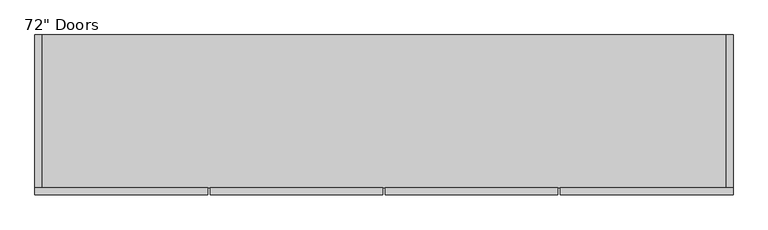
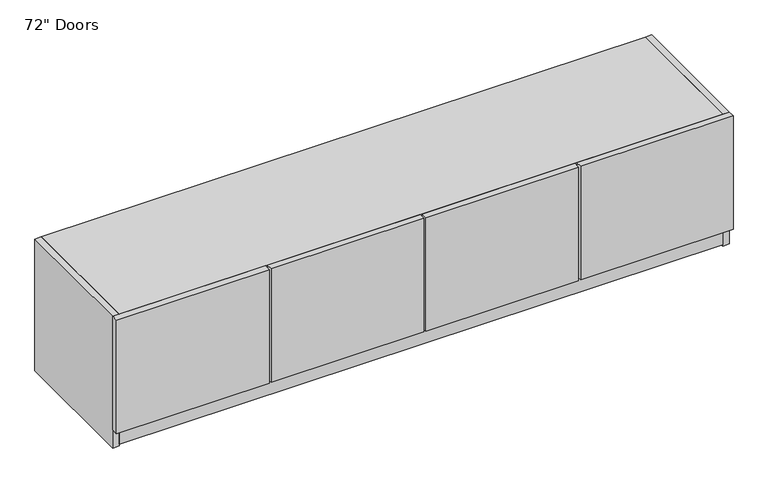
"""IFC4 building model written with IfcOpenShell, lengths in millimetres: furniture geometry."""

from ifc_helpers import new_model, si_unit, frame, origin, place, context, project, spatial, polyline, outline, extrude, source, transform, mapped, element, save


def furniture_ddac6944(model_context):
    return source(origin(), model_context, "Body", "SweptSolid", [
        extrude(outline(polyline([(620.7125, -444.5), (620.7125, -463.55), (168.275, -463.55), (168.275, -444.5), (620.7125, -444.5)])), frame((0.0, 0.0, 793.75), z_axis=(0.0, 0.0, 1.0), x_axis=(1.0, 0.0, 0.0)), (0.0, 0.0, 1.0), 355.6),
        extrude(outline(polyline([(161.925, -444.5), (161.925, -463.55), (-290.5125, -463.55), (-290.5125, -444.5), (161.925, -444.5)])), frame((0.0, 0.0, 793.75), z_axis=(0.0, 0.0, 1.0), x_axis=(1.0, 0.0, 0.0)), (0.0, 0.0, 1.0), 355.6),
        extrude(outline(polyline([(1079.5, -444.5), (1079.5, -463.55), (627.0625, -463.55), (627.0625, -444.5), (1079.5, -444.5)])), frame((0.0, 0.0, 793.75), z_axis=(0.0, 0.0, 1.0), x_axis=(1.0, 0.0, 0.0)), (0.0, 0.0, 1.0), 355.6),
        extrude(outline(polyline([(-296.8625, -444.5), (-296.8625, -463.55), (-749.3, -463.55), (-749.3, -444.5), (-296.8625, -444.5)])), frame((0.0, 0.0, 793.75), z_axis=(0.0, 0.0, 1.0), x_axis=(1.0, 0.0, 0.0)), (0.0, 0.0, 1.0), 355.6),
        extrude(outline(polyline([(174.625, -63.5), (174.625, -444.5), (155.575, -444.5), (155.575, -63.5), (174.625, -63.5)])), frame((0.0, 0.0, 814.3875), z_axis=(0.0, 0.0, 1.0), x_axis=(1.0, 0.0, 0.0)), (0.0, 0.0, 1.0), 315.9125),
        extrude(outline(polyline([(1060.45, -44.45), (1060.45, -444.5), (-730.25, -444.5), (-730.25, -44.45), (1060.45, -44.45)])), frame((0.0, 0.0, 1130.3), z_axis=(0.0, 0.0, 1.0), x_axis=(1.0, 0.0, 0.0)), (0.0, 0.0, 1.0), 19.05),
        extrude(outline(polyline([(-444.5, 804.8625), (-63.5, 804.8625), (-63.5, 741.3625), (-107.95, 741.3625), (-107.95, 785.8125), (-368.3, 785.8125), (-368.3, 741.3625), (-444.5, 741.3625), (-444.5, 804.8625)])), frame((-730.25, 0.0, 0.0), z_axis=(1.0, 0.0, 0.0), x_axis=(0.0, 1.0, 0.0)), (0.0, 0.0, 1.0), 1790.7),
        extrude(outline(polyline([(1060.45, -44.45), (1060.45, -63.5), (-730.25, -63.5), (-730.25, -44.45), (1060.45, -44.45)])), frame((0.0, 0.0, 741.3625), z_axis=(0.0, 0.0, 1.0), x_axis=(1.0, 0.0, 0.0)), (0.0, 0.0, 1.0), 407.9875),
        extrude(outline(polyline([(1079.5, -44.45), (1079.5, -444.5), (1060.45, -444.5), (1060.45, -44.45), (1079.5, -44.45)])), frame((0.0, 0.0, 736.6), z_axis=(0.0, 0.0, 1.0), x_axis=(1.0, 0.0, 0.0)), (0.0, 0.0, 1.0), 412.75),
        extrude(outline(polyline([(-730.25, -44.45), (-730.25, -444.5), (-749.3, -444.5), (-749.3, -44.45), (-730.25, -44.45)])), frame((0.0, 0.0, 736.6), z_axis=(0.0, 0.0, 1.0), x_axis=(1.0, 0.0, 0.0)), (0.0, 0.0, 1.0), 412.75),
    ])


if __name__ == "__main__":
    model = new_model("IFC4")
    model_context = context("Model", 3, world=origin())
    ifc_project = project(units=[si_unit("LENGTHUNIT", "METRE", prefix="MILLI")], contexts=[model_context])
    site = spatial("IfcSite", under=ifc_project)
    building = spatial("IfcBuilding", under=site)
    placement = place(None, origin())
    furniture_shape = furniture_ddac6944(model_context)
    element("IfcFurniture", 1, ObjectType="72\" Doors", at=placement, inside=building, context=model_context, shape_type="MappedRepresentation", body=[
        mapped(furniture_shape, transform((0.0, 0.0, 0.0), x_axis=(1.0, 0.0, 0.0), y_axis=(0.0, 1.0, 0.0), z_axis=(0.0, 0.0, 1.0))),
    ])
    save(model, "model.ifc")
